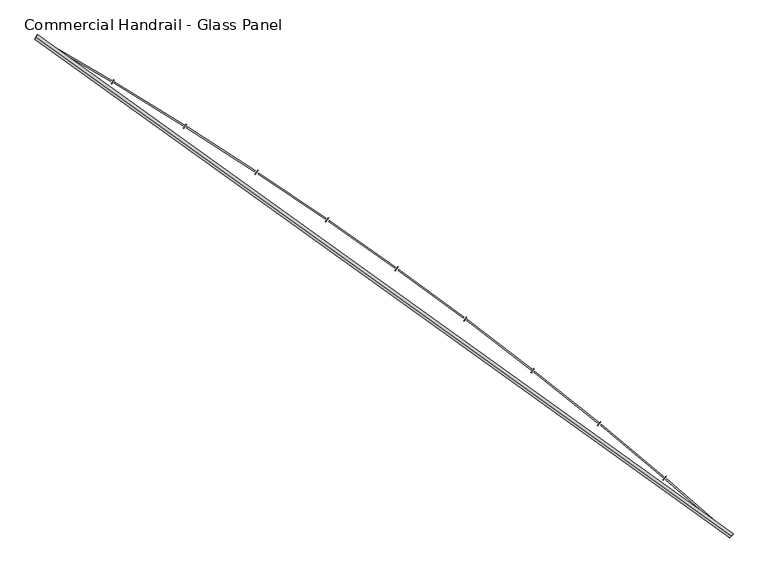
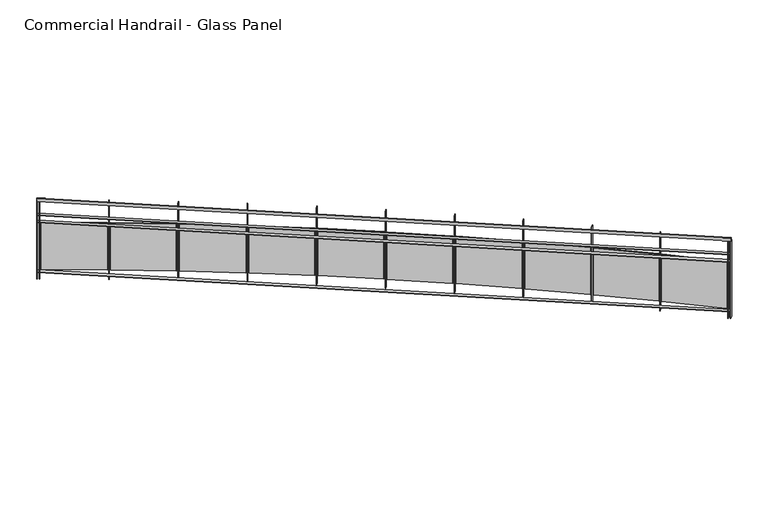
"""IFC4 building model written with IfcOpenShell, lengths in millimetres: railing geometry, Commercial Handrail - Glass Panel."""

import ifcopenshell
import ifcopenshell.guid

model = None  # the IFC model being written
_history = None  # IfcOwnerHistory: only IFC2X3 demands one
_inside = {}  # id of a spatial element -> (the spatial element, [elements in it])
_under = {}  # id of a project, library or spatial element -> (it, [spatial elements below it])
_declared = {}  # id of a project -> (the project, [libraries it declares])
_typed = {}  # id of a type object -> (the type object, [elements of that type])
_made_of = {}  # id of a material, layer set ... -> (it, [elements and type objects made of it])


def new_model(schema):
    """Start an empty IFC model of exactly this schema.

    Asked for "IFC4X3", IfcOpenShell would pick the latest addendum, in which some entities
    have other attributes; the version numbers below select the first issue.
    IFC2X3 requires an IfcOwnerHistory on every rooted entity: one is made here for all.
    """
    global model, _history
    if schema == "IFC4X3":
        model = ifcopenshell.file(schema_version=(4, 3, 0, 0))
    else:
        model = ifcopenshell.file(schema=schema)
    _inside.clear()
    _under.clear()
    _declared.clear()
    _typed.clear()
    _made_of.clear()
    _history = None
    if model.schema == "IFC2X3":
        org = make("IfcOrganization", Name="unknown")
        user = make(
            "IfcPersonAndOrganization",
            ThePerson=make("IfcPerson", FamilyName="unknown"),
            TheOrganization=org,
        )
        app = make(
            "IfcApplication",
            ApplicationDeveloper=org,
            Version="unknown",
            ApplicationFullName="unknown",
            ApplicationIdentifier="unknown",
        )
        _history = make(
            "IfcOwnerHistory",
            OwningUser=user,
            OwningApplication=app,
            ChangeAction="ADDED",
            CreationDate=0,
        )
    return model


def make(cls, **values):
    """One entity of the class cls with the attributes given. An attribute that is None is left unset."""
    return model.create_entity(
        cls, **{name: value for name, value in values.items() if value is not None}
    )


def rooted(cls, **values):
    """An entity with a GlobalId (a new one), such as an element, a storey or a relation."""
    return make(cls, GlobalId=ifcopenshell.guid.new(), OwnerHistory=_history, **values)


def si_unit(unit_type, name, prefix=None):
    """IfcSIUnit, for example si_unit("LENGTHUNIT", "METRE", prefix="MILLI")."""
    return make("IfcSIUnit", UnitType=unit_type, Prefix=prefix, Name=name)


def assignment(units):
    """IfcUnitAssignment: the units of a project."""
    return None if units is None else make("IfcUnitAssignment", Units=units)


def point(xyz):
    """IfcCartesianPoint."""
    return None if xyz is None else make("IfcCartesianPoint", Coordinates=xyz)


def direction(xyz):
    """IfcDirection."""
    return None if xyz is None else make("IfcDirection", DirectionRatios=xyz)


def frame(location, z_axis=None, x_axis=None):
    """IfcAxis2Placement3D, a coordinate frame: its origin and axes. An axis left out is left unset."""
    return make(
        "IfcAxis2Placement3D",
        Location=point(location),
        Axis=direction(z_axis),
        RefDirection=direction(x_axis),
    )


def origin():
    """The frame at (0, 0, 0) with its axes left unset."""
    return frame((0.0, 0.0, 0.0))


def place(relative_to, where):
    """IfcLocalPlacement: puts the frame where relative to a parent placement (None: the world)."""
    return make(
        "IfcLocalPlacement", PlacementRelTo=relative_to, RelativePlacement=where
    )


def context(
    kind, dimensions, precision=None, world=None, true_north=None, identifier=None
):
    """IfcGeometricRepresentationContext, for example the 3D "Model" context."""
    return make(
        "IfcGeometricRepresentationContext",
        ContextIdentifier=identifier,
        ContextType=kind,
        CoordinateSpaceDimension=dimensions,
        Precision=precision,
        WorldCoordinateSystem=world,
        TrueNorth=true_north,
    )


def project(units=None, contexts=None):
    """IfcProject with its units and contexts."""
    return rooted(
        "IfcProject",
        Name="project",
        RepresentationContexts=contexts,
        UnitsInContext=assignment(units),
    )


def spatial(cls, under=None, at=None, **own):
    """A site, building, storey or space (cls), placed at a placement, below another one or the project."""
    s = rooted(cls, ObjectPlacement=at, **own)
    if under is not None:
        _under.setdefault(under.id(), (under, []))[1].append(s)
    return s


def polyline(points):
    """IfcPolyline through the points."""
    return make("IfcPolyline", Points=[point(p) for p in points])


def circle_curve(where, radius):
    """IfcCircle in the frame where."""
    return make("IfcCircle", Position=where, Radius=radius)


def ellipse_curve(where, semi_axis1, semi_axis2):
    """IfcEllipse in the frame where."""
    return make(
        "IfcEllipse", Position=where, SemiAxis1=semi_axis1, SemiAxis2=semi_axis2
    )


def trimmed(basis, trim1, trim2, sense, master):
    """IfcTrimmedCurve: the piece of a basis curve between two trims."""
    return make(
        "IfcTrimmedCurve",
        BasisCurve=basis,
        Trim1=trim1,
        Trim2=trim2,
        SenseAgreement=sense,
        MasterRepresentation=master,
    )


def outline(outer, holes=None, kind="AREA"):
    """IfcArbitraryClosedProfileDef: a profile drawn as a closed curve; with holes, ...WithVoids."""
    if holes is None:
        return make("IfcArbitraryClosedProfileDef", ProfileType=kind, OuterCurve=outer)
    return make(
        "IfcArbitraryProfileDefWithVoids",
        ProfileType=kind,
        OuterCurve=outer,
        InnerCurves=holes,
    )


def extrude(swept, where, along, depth):
    """IfcExtrudedAreaSolid: the profile swept, set in the frame where, extruded along a direction by depth."""
    return make(
        "IfcExtrudedAreaSolid",
        SweptArea=swept,
        Position=where,
        ExtrudedDirection=direction(along),
        Depth=depth,
    )


def shape(context_of_items, identifier, shape_type, items):
    """IfcShapeRepresentation: the items that make up one representation, for example the "Body"."""
    return make(
        "IfcShapeRepresentation",
        ContextOfItems=context_of_items,
        RepresentationIdentifier=identifier,
        RepresentationType=shape_type,
        Items=items,
    )


def source(mapping_origin, context_of_items, identifier, shape_type, items):
    """IfcRepresentationMap: a shape defined once, which mapped items show again and again."""
    return make(
        "IfcRepresentationMap",
        MappingOrigin=mapping_origin,
        MappedRepresentation=shape(context_of_items, identifier, shape_type, items),
    )


def transform(
    local_origin,
    x_axis=None,
    y_axis=None,
    z_axis=None,
    scale=None,
    scale2=None,
    scale3=None,
    uniform=True,
):
    """IfcCartesianTransformationOperator3D, or its non-uniform kind. x_axis, y_axis, z_axis: its Axis1, 2, 3."""
    if uniform:
        return make(
            "IfcCartesianTransformationOperator3D",
            Axis1=direction(x_axis),
            Axis2=direction(y_axis),
            LocalOrigin=point(local_origin),
            Scale=scale,
            Axis3=direction(z_axis),
        )
    return make(
        "IfcCartesianTransformationOperator3DnonUniform",
        Axis1=direction(x_axis),
        Axis2=direction(y_axis),
        LocalOrigin=point(local_origin),
        Scale=scale,
        Axis3=direction(z_axis),
        Scale2=scale2,
        Scale3=scale3,
    )


def mapped(mapping_source, mapping_target):
    """IfcMappedItem: shows the shape of a source again, moved by a transform."""
    return make(
        "IfcMappedItem", MappingSource=mapping_source, MappingTarget=mapping_target
    )


def made_of(thing, what):
    """Note that an element or type object is made of a material, layer set ...; save() writes the relation."""
    if what is not None:
        _made_of.setdefault(what.id(), (what, []))[1].append(thing)
    return thing


def element(
    cls,
    number,
    at=None,
    inside=None,
    cuts=None,
    type_object=None,
    material=None,
    context=None,
    identifier="Body",
    shape_type=None,
    held_by="IfcProductDefinitionShape",
    body=None,
    shapes=None,
    **own,
):
    """One element of the class cls, such as IfcWall. Its Tag is "e" and its number.

    at: its placement. inside: the storey or other place that contains it. cuts: it is an
    opening in that element (IfcRelVoidsElement). A single representation is given by context,
    identifier, shape_type and body (its items); several are given by shapes. held_by: the class
    of the entity that holds the representations. save() writes the other relations.
    """
    e = rooted(cls, Tag="e%d" % number, ObjectPlacement=at, **own)
    if body is not None:
        shapes = [shape(context, identifier, shape_type, body)]
    if shapes is not None:
        e.Representation = make(held_by, Representations=shapes)
    if inside is not None:
        _inside.setdefault(inside.id(), (inside, []))[1].append(e)
    if cuts is not None:
        rooted(
            "IfcRelVoidsElement", RelatingBuildingElement=cuts, RelatedOpeningElement=e
        )
    if type_object is not None:
        _typed.setdefault(type_object.id(), (type_object, []))[1].append(e)
    return made_of(e, material)


def aggregate(whole, parts):
    """IfcRelAggregates: a whole, such as a stair, and the parts it consists of."""
    return rooted("IfcRelAggregates", RelatingObject=whole, RelatedObjects=parts)


def save(model, path):
    """Write the relations noted so far, then the file.

    IfcRelAggregates (storeys below a building ...), IfcRelContainedInSpatialStructure (elements
    in a storey), IfcRelDefinesByType, IfcRelAssociatesMaterial and IfcRelDeclares: one each for
    every whole, place, type object, material and project.
    """
    for whole, parts in _under.values():
        aggregate(whole, parts)
    for where, things in _inside.values():
        rooted(
            "IfcRelContainedInSpatialStructure",
            RelatedElements=things,
            RelatingStructure=where,
        )
    for kind, things in _typed.values():
        rooted("IfcRelDefinesByType", RelatedObjects=things, RelatingType=kind)
    for what, things in _made_of.values():
        rooted("IfcRelAssociatesMaterial", RelatedObjects=things, RelatingMaterial=what)
    for by, libraries in _declared.values():
        rooted("IfcRelDeclares", RelatingContext=by, RelatedDefinitions=libraries)
    model.write(path)


def plane_surface(at):
    """IfcPlane: the flat surface through the origin of the frame at, square to its z axis."""
    return make("IfcPlane", Position=at)


def cylinder_surface(at, radius):
    """IfcCylindricalSurface: all points at the distance radius from the z axis of the frame at."""
    return make("IfcCylindricalSurface", Position=at, Radius=radius)


def revolved_surface(curve, axis_point, axis_direction):
    """IfcSurfaceOfRevolution: the curve turned about the line through axis_point along axis_direction."""
    return make(
        "IfcSurfaceOfRevolution",
        SweptCurve=make("IfcArbitraryOpenProfileDef", ProfileType="CURVE", Curve=curve),
        AxisPosition=make("IfcAxis1Placement", Location=point(axis_point), Axis=direction(axis_direction)),
    )


def advanced_brep(points, edges, surfaces, faces):
    """IfcAdvancedBrep: a solid bounded by faces that lie on surfaces and meet in shared edges.

    An edge is (start, end): straight between two places in points (the first is 0);
    or (start, end, curve); or (start, end, curve, False) where it runs against its curve.
    A face is (place in surfaces, loops), or (place, loops, False) where it looks against
    its surface's normal. A loop lists edges by number (the first is 1), with a minus sign
    where the edge is run from its end to its start. The first loop is the outer one.
    """
    corners = [point(p) for p in points]
    vertices = [make("IfcVertexPoint", VertexGeometry=c) for c in corners]
    made = []
    for start, end, *more in edges:
        made.append(
            make(
                "IfcEdgeCurve",
                EdgeStart=vertices[start],
                EdgeEnd=vertices[end],
                EdgeGeometry=more[0] if more else make("IfcPolyline", Points=[corners[start], corners[end]]),
                SameSense=more[1] if len(more) > 1 else True,
            )
        )
    hull = []
    for where, loops, *sense in faces:
        bounds = []
        for j, loop in enumerate(loops):
            ring = [make("IfcOrientedEdge", EdgeElement=made[abs(k) - 1], Orientation=k > 0) for k in loop]
            bounds.append(
                make(
                    "IfcFaceOuterBound" if j == 0 else "IfcFaceBound",
                    Bound=make("IfcEdgeLoop", EdgeList=ring),
                    Orientation=True,
                )
            )
        hull.append(make("IfcAdvancedFace", Bounds=bounds, FaceSurface=surfaces[where], SameSense=sense[0] if sense else True))
    return make("IfcAdvancedBrep", Outer=make("IfcClosedShell", CfsFaces=hull))


def commercial_handrail_glass_panel_ea260339(model_context):
    return source(origin(), model_context, "Body", "SolidModel", [
        advanced_brep(
        [(167549.0741026, -21421.502679, 6082.5), (161013.6212135, -16726.1286002, 6082.5), (161013.6212135, -16726.1286002, 6117.5), (167549.0741026, -21421.502679, 6117.5)],
        [
            (0, 1, circle_curve(frame((141448.4989992, -50854.6714836, 6082.5), z_axis=(0.0, 0.0, 1.0), x_axis=(0.4973475894068907, 0.8675513675346002, 0.0)), 39338.9304203)),
            (1, 2, ellipse_curve(frame((161013.6212135, -16726.1286002, 6100.0), z_axis=(0.8675513675345969, -0.49734758940689633, 0.0), x_axis=(-0.49734758940689633, -0.8675513675345969, 0.0)), 25.0, 17.5)),
            (2, 3, circle_curve(frame((141448.4989992, -50854.6714836, 6117.5), z_axis=(0.0, 0.0, -1.0), x_axis=(0.4973475894068907, 0.8675513675346002, 0.0)), 39338.9304203)),
            (3, 0, ellipse_curve(frame((167549.0741026, -21421.502679, 6100.0), z_axis=(-0.7481944346262089, 0.6634795309535688, 0.0), x_axis=(-0.6634795309535688, -0.7481944346262089, 0.0)), 25.0, 17.5)),
            (2, 1, ellipse_curve(frame((161013.6212135, -16726.1286002, 6100.0), z_axis=(0.8675513675345969, -0.49734758940689633, 0.0), x_axis=(-0.49734758940689633, -0.8675513675345969, 0.0)), 25.0, 17.5)),
            (0, 3, ellipse_curve(frame((167549.0741026, -21421.502679, 6100.0), z_axis=(-0.7481944346262089, 0.6634795309535688, 0.0), x_axis=(-0.6634795309535688, -0.7481944346262089, 0.0)), 25.0, 17.5)),
        ],
        [
            revolved_surface(trimmed(ellipse_curve(frame((161013.6212135, -16726.1286002, 6100.0), z_axis=(-0.8675513675346002, 0.4973475894068907, 0.0), x_axis=(0.0, 0.0, -1.0)), 17.5, 25.0), [point((161013.6212135, -16726.1286002, 6117.5))], [point((161013.6212135, -16726.1286002, 6082.5))], True, "CARTESIAN"), (141448.4989992, -50854.6714836, 6100.0), (0.0, 0.0, -1.0)),
            revolved_surface(trimmed(ellipse_curve(frame((161013.6212135, -16726.1286002, 6100.0), z_axis=(-0.8675513675346002, 0.4973475894068907, 0.0), x_axis=(0.0, 0.0, -1.0)), 17.5, 25.0), [point((161013.6212135, -16726.1286002, 6082.5))], [point((161013.6212135, -16726.1286002, 6117.5))], True, "CARTESIAN"), (141448.4989992, -50854.6714836, 6100.0), (0.0, 0.0, -1.0)),
            plane_surface(frame((161013.6212135, -16726.1286002, 6100.0), z_axis=(-0.8675513675346002, 0.4973475894068907, 0.0), x_axis=(0.4973475894068907, 0.8675513675346002, 0.0))),
            plane_surface(frame((167549.0741026, -21421.502679, 6100.0), z_axis=(0.7481944346262088, -0.663479530953569, 0.0), x_axis=(0.663479530953569, 0.7481944346262088, 0.0))),
        ],
        [
            (0, [[1, 2, 3, 4]]),
            (1, [[-3, 5, -1, 6]]),
            (2, [[-2, -5]]),
            (3, [[-6, -4]]),
        ],
    ),
        advanced_brep(
        [(167564.0023921, -21404.6683042, 5900.0), (161024.8115343, -16706.6086944, 5900.0), (161002.4308928, -16745.6485059, 5900.0), (167534.1458132, -21438.3370538, 5900.0), (167564.0023921, -21404.6683042, 5894.0), (161024.8115343, -16706.6086944, 5894.0), (167534.1458132, -21438.3370538, 5894.0), (161002.4308928, -16745.6485059, 5894.0)],
        [
            (0, 1, circle_curve(frame((141448.4989992, -50854.6714836, 5900.0), z_axis=(0.0, 0.0, 1.0), x_axis=(0.4973475894068907, 0.8675513675346002, 0.0)), 39361.4304203)),
            (1, 2),
            (2, 3, circle_curve(frame((141448.4989992, -50854.6714836, 5900.0), z_axis=(0.0, 0.0, -1.0), x_axis=(0.4973475894068907, 0.8675513675346002, 0.0)), 39316.4304203)),
            (3, 0),
            (4, 5, circle_curve(frame((141448.4989992, -50854.6714836, 5894.0), z_axis=(0.0, 0.0, 1.0), x_axis=(0.4973475894068907, 0.8675513675346002, 0.0)), 39361.4304203)),
            (5, 1),
            (0, 4),
            (6, 7, circle_curve(frame((141448.4989992, -50854.6714836, 5894.0), z_axis=(0.0, 0.0, 1.0), x_axis=(0.4973475894068907, 0.8675513675346002, 0.0)), 39316.4304203)),
            (7, 5),
            (4, 6),
            (2, 7),
            (6, 3),
        ],
        [
            plane_surface(frame((141448.4989992, -50854.6714836, 5900.0), z_axis=(0.0, 0.0, 1.0), x_axis=(0.4973475894068907, 0.8675513675346002, 0.0))),
            cylinder_surface(frame((141448.4989992, -50854.6714836, 5900.0), z_axis=(0.0, 0.0, -1.0), x_axis=(0.4973475894068907, 0.8675513675346002, 0.0)), 39361.4304203),
            plane_surface(frame((141448.4989992, -50854.6714836, 5894.0), z_axis=(0.0, 0.0, -1.0), x_axis=(0.4973475894068907, 0.8675513675346002, 0.0))),
            revolved_surface(polyline([(161002.43089281995, -16745.64850588978, 5894.0), (161002.43089281995, -16745.64850588978, 5900.0)]), (141448.4989992, -50854.6714836, 5900.0), (0.0, 0.0, -1.0)),
            plane_surface(frame((161013.6212135, -16726.1286002, 5900.0), z_axis=(-0.8675513675346002, 0.4973475894068907, 0.0), x_axis=(0.4973475894068907, 0.8675513675346002, 0.0))),
            plane_surface(frame((167549.0741026, -21421.502679, 5900.0), z_axis=(0.7481944346262088, -0.663479530953569, 0.0), x_axis=(0.663479530953569, 0.7481944346262088, 0.0))),
        ],
        [
            (0, [[1, 2, 3, 4]]),
            (1, [[5, 6, -1, 7]]),
            (2, [[8, 9, -5, 10]]),
            (3, [[-3, 11, -8, 12]]),
            (4, [[-2, -6, -9, -11]]),
            (5, [[-12, -10, -7, -4]]),
        ],
    ),
        advanced_brep(
        [(167564.0023921, -21404.6683042, 5800.0), (161024.8115343, -16706.6086944, 5800.0), (161002.4308928, -16745.6485059, 5800.0), (167534.1458132, -21438.3370538, 5800.0), (167564.0023921, -21404.6683042, 5794.0), (161024.8115343, -16706.6086944, 5794.0), (167534.1458132, -21438.3370538, 5794.0), (161002.4308928, -16745.6485059, 5794.0)],
        [
            (0, 1, circle_curve(frame((141448.4989992, -50854.6714836, 5800.0), z_axis=(0.0, 0.0, 1.0), x_axis=(0.4973475894068907, 0.8675513675346002, 0.0)), 39361.4304203)),
            (1, 2),
            (2, 3, circle_curve(frame((141448.4989992, -50854.6714836, 5800.0), z_axis=(0.0, 0.0, -1.0), x_axis=(0.4973475894068907, 0.8675513675346002, 0.0)), 39316.4304203)),
            (3, 0),
            (4, 5, circle_curve(frame((141448.4989992, -50854.6714836, 5794.0), z_axis=(0.0, 0.0, 1.0), x_axis=(0.4973475894068907, 0.8675513675346002, 0.0)), 39361.4304203)),
            (5, 1),
            (0, 4),
            (6, 7, circle_curve(frame((141448.4989992, -50854.6714836, 5794.0), z_axis=(0.0, 0.0, 1.0), x_axis=(0.4973475894068907, 0.8675513675346002, 0.0)), 39316.4304203)),
            (7, 5),
            (4, 6),
            (2, 7),
            (6, 3),
        ],
        [
            plane_surface(frame((141448.4989992, -50854.6714836, 5800.0), z_axis=(0.0, 0.0, 1.0), x_axis=(0.4973475894068907, 0.8675513675346002, 0.0))),
            cylinder_surface(frame((141448.4989992, -50854.6714836, 5800.0), z_axis=(0.0, 0.0, -1.0), x_axis=(0.4973475894068907, 0.8675513675346002, 0.0)), 39361.4304203),
            plane_surface(frame((141448.4989992, -50854.6714836, 5794.0), z_axis=(0.0, 0.0, -1.0), x_axis=(0.4973475894068907, 0.8675513675346002, 0.0))),
            revolved_surface(polyline([(161002.43089281995, -16745.64850588978, 5794.0), (161002.43089281995, -16745.64850588978, 5800.0)]), (141448.4989992, -50854.6714836, 5800.0), (0.0, 0.0, -1.0)),
            plane_surface(frame((161013.6212135, -16726.1286002, 5800.0), z_axis=(-0.8675513675346002, 0.4973475894068907, 0.0), x_axis=(0.4973475894068907, 0.8675513675346002, 0.0))),
            plane_surface(frame((167549.0741026, -21421.502679, 5800.0), z_axis=(0.7481944346262088, -0.663479530953569, 0.0), x_axis=(0.663479530953569, 0.7481944346262088, 0.0))),
        ],
        [
            (0, [[1, 2, 3, 4]]),
            (1, [[5, 6, -1, 7]]),
            (2, [[8, 9, -5, 10]]),
            (3, [[-3, 11, -8, 12]]),
            (4, [[-2, -6, -9, -11]]),
            (5, [[-12, -10, -7, -4]]),
        ],
    ),
        advanced_brep(
        [(167564.0023921, -21404.6683042, 5100.0), (161024.8115343, -16706.6086944, 5100.0), (161002.4308928, -16745.6485059, 5100.0), (167534.1458132, -21438.3370538, 5100.0), (167564.0023921, -21404.6683042, 5094.0), (161024.8115343, -16706.6086944, 5094.0), (167534.1458132, -21438.3370538, 5094.0), (161002.4308928, -16745.6485059, 5094.0)],
        [
            (0, 1, circle_curve(frame((141448.4989992, -50854.6714836, 5100.0), z_axis=(0.0, 0.0, 1.0), x_axis=(0.4973475894068907, 0.8675513675346002, 0.0)), 39361.4304203)),
            (1, 2),
            (2, 3, circle_curve(frame((141448.4989992, -50854.6714836, 5100.0), z_axis=(0.0, 0.0, -1.0), x_axis=(0.4973475894068907, 0.8675513675346002, 0.0)), 39316.4304203)),
            (3, 0),
            (4, 5, circle_curve(frame((141448.4989992, -50854.6714836, 5094.0), z_axis=(0.0, 0.0, 1.0), x_axis=(0.4973475894068907, 0.8675513675346002, 0.0)), 39361.4304203)),
            (5, 1),
            (0, 4),
            (6, 7, circle_curve(frame((141448.4989992, -50854.6714836, 5094.0), z_axis=(0.0, 0.0, 1.0), x_axis=(0.4973475894068907, 0.8675513675346002, 0.0)), 39316.4304203)),
            (7, 5),
            (4, 6),
            (2, 7),
            (6, 3),
        ],
        [
            plane_surface(frame((141448.4989992, -50854.6714836, 5100.0), z_axis=(0.0, 0.0, 1.0), x_axis=(0.4973475894068907, 0.8675513675346002, 0.0))),
            cylinder_surface(frame((141448.4989992, -50854.6714836, 5100.0), z_axis=(0.0, 0.0, -1.0), x_axis=(0.4973475894068907, 0.8675513675346002, 0.0)), 39361.4304203),
            plane_surface(frame((141448.4989992, -50854.6714836, 5094.0), z_axis=(0.0, 0.0, -1.0), x_axis=(0.4973475894068907, 0.8675513675346002, 0.0))),
            revolved_surface(polyline([(161002.43089281995, -16745.64850588978, 5094.0), (161002.43089281995, -16745.64850588978, 5100.0)]), (141448.4989992, -50854.6714836, 5100.0), (0.0, 0.0, -1.0)),
            plane_surface(frame((161013.6212135, -16726.1286002, 5100.0), z_axis=(-0.8675513675346002, 0.4973475894068907, 0.0), x_axis=(0.4973475894068907, 0.8675513675346002, 0.0))),
            plane_surface(frame((167549.0741026, -21421.502679, 5100.0), z_axis=(0.7481944346262088, -0.663479530953569, 0.0), x_axis=(0.663479530953569, 0.7481944346262088, 0.0))),
        ],
        [
            (0, [[1, 2, 3, 4]]),
            (1, [[5, 6, -1, 7]]),
            (2, [[8, 9, -5, 10]]),
            (3, [[-3, 11, -8, 12]]),
            (4, [[-2, -6, -9, -11]]),
            (5, [[-12, -10, -7, -4]]),
        ],
    ),
        extrude(outline(polyline([(167508.9444824, -21416.0082801), (167538.7747877, -21382.3162501), (167543.2670583, -21386.2936241), (167513.436753, -21419.9856541), (167508.9444824, -21416.0082801)])), frame((0.0, 0.0, 5000.0), z_axis=(0.0, 0.0, 1.0), x_axis=(1.0, 0.0, 0.0)), (0.0, 0.0, 1.0), 1082.1192282),
        extrude(outline(polyline([(166942.1525945, -20883.992877), (167516.2667104, -21381.9818146), (167508.4037272, -21391.0467743), (166934.2896113, -20893.0578368), (166942.1525945, -20883.992877)])), frame((0.0, 0.0, 5120.0), z_axis=(0.0, 0.0, 1.0), x_axis=(1.0, 0.0, 0.0)), (0.0, 0.0, 1.0), 660.0),
        extrude(outline(polyline([(166904.9299151, -20892.1643286), (166934.0689354, -20857.8726752), (166938.6411559, -20861.7578779), (166909.5021355, -20896.0495313), (166904.9299151, -20892.1643286)])), frame((0.0, 0.0, 5000.0), z_axis=(0.0, 0.0, 1.0), x_axis=(1.0, 0.0, 0.0)), (0.0, 0.0, 1.0), 1082.1192282),
        extrude(outline(polyline([(166327.4368564, -20371.7844669), (166911.5587116, -20857.9960035), (166903.8816873, -20867.2189802), (166319.7598321, -20381.0074436), (166327.4368564, -20371.7844669)])), frame((0.0, 0.0, 5120.0), z_axis=(0.0, 0.0, 1.0), x_axis=(1.0, 0.0, 0.0)), (0.0, 0.0, 1.0), 660.0),
        extrude(outline(polyline([(166290.3880375, -20380.7111404), (166318.8237226, -20345.8340446), (166323.4740021, -20349.6254693), (166295.0383169, -20384.5025651), (166290.3880375, -20380.7111404)])), frame((0.0, 0.0, 5000.0), z_axis=(0.0, 0.0, 1.0), x_axis=(1.0, 0.0, 0.0)), (0.0, 0.0, 1.0), 1082.1192282),
        extrude(outline(polyline([(165702.4326258, -19872.1820192), (166296.3206611, -20346.4150858), (166288.8327706, -20355.7922653), (165694.9447352, -19881.5591987), (165702.4326258, -19872.1820192)])), frame((0.0, 0.0, 5120.0), z_axis=(0.0, 0.0, 1.0), x_axis=(1.0, 0.0, 0.0)), (0.0, 0.0, 1.0), 660.0),
        extrude(outline(polyline([(165665.5729886, -19881.860223), (165693.2935792, -19846.4121081), (165698.0199946, -19850.1081868), (165670.2994039, -19885.5563018), (165665.5729886, -19881.860223)])), frame((0.0, 0.0, 5000.0), z_axis=(0.0, 0.0, 1.0), x_axis=(1.0, 0.0, 0.0)), (0.0, 0.0, 1.0), 1082.1192282),
        extrude(outline(polyline([(165067.3983683, -19385.3921406), (165670.8069859, -19847.4506219), (165663.5113257, -19856.9781264), (165060.102708, -19394.9196451), (165067.3983683, -19385.3921406)])), frame((0.0, 0.0, 5120.0), z_axis=(0.0, 0.0, 1.0), x_axis=(1.0, 0.0, 0.0)), (0.0, 0.0, 1.0), 660.0),
        extrude(outline(polyline([(165030.7431559, -19395.8178725), (165057.7371883, -19359.8133976), (165062.537785, -19363.412602), (165035.5437525, -19399.4170768), (165030.7431559, -19395.8178725)])), frame((0.0, 0.0, 5000.0), z_axis=(0.0, 0.0, 1.0), x_axis=(1.0, 0.0, 0.0)), (0.0, 0.0, 1.0), 1082.1192282),
        extrude(outline(polyline([(164422.5966974, -18911.6161393), (165035.2763625, -19361.3089545), (165028.1759496, -19370.982844), (164415.4962846, -18921.2900288), (164422.5966974, -18911.6161393)])), frame((0.0, 0.0, 5120.0), z_axis=(0.0, 0.0, 1.0), x_axis=(1.0, 0.0, 0.0)), (0.0, 0.0, 1.0), 660.0),
        extrude(outline(polyline([(164386.1610683, -18922.7850878), (164412.4173794, -18886.2391424), (164417.2901721, -18889.7399839), (164391.033861, -18926.2859293), (164386.1610683, -18922.7850878)])), frame((0.0, 0.0, 5000.0), z_axis=(0.0, 0.0, 1.0), x_axis=(1.0, 0.0, 0.0)), (0.0, 0.0, 1.0), 1082.1192282),
        extrude(outline(polyline([(163768.294266, -18451.0499418), (164389.9916095, -18888.1911239), (164383.0893803, -18898.0073978), (163761.3920368, -18460.8662157), (163768.294266, -18451.0499418)])), frame((0.0, 0.0, 5120.0), z_axis=(0.0, 0.0, 1.0), x_axis=(1.0, 0.0, 0.0)), (0.0, 0.0, 1.0), 660.0),
        extrude(outline(polyline([(163732.0932877, -18462.957488), (163757.6010195, -18425.8851854), (163762.5439932, -18429.2862163), (163737.0362614, -18466.3585189), (163732.0932877, -18462.957488)])), frame((0.0, 0.0, 5000.0), z_axis=(0.0, 0.0, 1.0), x_axis=(1.0, 0.0, 0.0)), (0.0, 0.0, 1.0), 1082.1192282),
        extrude(outline(polyline([(163104.7616557, -18003.8840116), (163735.2195795, -18428.2927843), (163728.5183883, -18438.2473831), (163098.0604645, -18013.8386104), (163104.7616557, -18003.8840116)])), frame((0.0, 0.0, 5120.0), z_axis=(0.0, 0.0, 1.0), x_axis=(1.0, 0.0, 0.0)), (0.0, 0.0, 1.0), 660.0),
        extrude(outline(polyline([(163068.810299, -18016.5252312), (163093.5589027, -17978.9419023), (163098.5700133, -17982.2417162), (163073.8214095, -18019.8250451), (163068.810299, -18016.5252312)])), frame((0.0, 0.0, 5000.0), z_axis=(0.0, 0.0, 1.0), x_axis=(1.0, 0.0, 0.0)), (0.0, 0.0, 1.0), 1082.1192282),
        extrude(outline(polyline([(162432.2732653, -17570.3032708), (163071.2310484, -17981.8041231), (163064.7336665, -17991.8929302), (162425.7758834, -17580.3920779), (162432.2732653, -17570.3032708)])), frame((0.0, 0.0, 5120.0), z_axis=(0.0, 0.0, 1.0), x_axis=(1.0, 0.0, 0.0)), (0.0, 0.0, 1.0), 660.0),
        extrude(outline(polyline([(162396.5863975, -17583.6729362), (162420.5656387, -17545.5941233), (162425.6428138, -17548.7913555), (162401.6635725, -17586.8701683), (162396.5863975, -17583.6729362)])), frame((0.0, 0.0, 5000.0), z_axis=(0.0, 0.0, 1.0), x_axis=(1.0, 0.0, 0.0)), (0.0, 0.0, 1.0), 1082.1192282),
        extrude(outline(polyline([(161751.1071971, -17150.4870233), (162398.3006035, -17548.9097821), (162392.0097178, -17559.1286254), (161744.8163114, -17160.7058665), (161751.1071971, -17150.4870233)])), frame((0.0, 0.0, 5120.0), z_axis=(0.0, 0.0, 1.0), x_axis=(1.0, 0.0, 0.0)), (0.0, 0.0, 1.0), 660.0),
        extrude(outline(polyline([(161715.6995763, -17164.5796055), (161738.8995386, -17126.0210558), (161744.0406785, -17129.1143841), (161720.8407163, -17167.6729338), (161715.6995763, -17164.5796055)])), frame((0.0, 0.0, 5000.0), z_axis=(0.0, 0.0, 1.0), x_axis=(1.0, 0.0, 0.0)), (0.0, 0.0, 1.0), 1082.1192282),
        extrude(outline(polyline([(161061.5451422, -16744.6088808), (161716.70653, -17129.7887816), (161710.6247421, -17140.1334351), (161055.4633543, -16754.9535343), (161061.5451422, -16744.6088808)])), frame((0.0, 0.0, 5120.0), z_axis=(0.0, 0.0, 1.0), x_axis=(1.0, 0.0, 0.0)), (0.0, 0.0, 1.0), 660.0),
        extrude(outline(polyline([(161026.431411, -16759.418552), (161048.8425001, -16720.3962112), (161054.0454789, -16723.3843564), (161031.6343898, -16762.4066972), (161026.431411, -16759.418552)])), frame((0.0, 0.0, 5000.0), z_axis=(0.0, 0.0, 1.0), x_axis=(1.0, 0.0, 0.0)), (0.0, 0.0, 1.0), 1082.1192282),
        extrude(outline(polyline([(167531.9012299, -21436.3466152), (167561.7578088, -21402.6778657), (167566.2469754, -21406.6587428), (167536.3903965, -21440.3274924), (167531.9012299, -21436.3466152)])), frame((0.0, 0.0, 5000.0), z_axis=(0.0, 0.0, 1.0), x_axis=(1.0, 0.0, 0.0)), (0.0, 0.0, 1.0), 1082.1192282),
        extrude(outline(polyline([(160999.8282387, -16744.1564632), (161022.2088802, -16705.1166516), (161027.4141884, -16708.1007372), (161005.0335469, -16747.1405487), (160999.8282387, -16744.1564632)])), frame((0.0, 0.0, 5000.0), z_axis=(0.0, 0.0, 1.0), x_axis=(1.0, 0.0, 0.0)), (0.0, 0.0, 1.0), 1082.1192282),
    ])


if __name__ == "__main__":
    model = new_model("IFC4")
    model_context = context("Model", 3, world=origin())
    ifc_project = project(units=[si_unit("LENGTHUNIT", "METRE", prefix="MILLI")], contexts=[model_context])
    site = spatial("IfcSite", under=ifc_project)
    building = spatial("IfcBuilding", under=site)
    placement = place(None, origin())
    commercial_handrail_glass_panel_shape = commercial_handrail_glass_panel_ea260339(model_context)
    element("IfcRailing", 1, ObjectType="Commercial Handrail - Glass Panel", at=placement, inside=building, context=model_context, shape_type="MappedRepresentation", body=[
        mapped(commercial_handrail_glass_panel_shape, transform((0.0, 0.0, 0.0), x_axis=(1.0, 0.0, 0.0), y_axis=(0.0, 1.0, 0.0), z_axis=(0.0, 0.0, 1.0))),
    ])
    save(model, "model.ifc")
